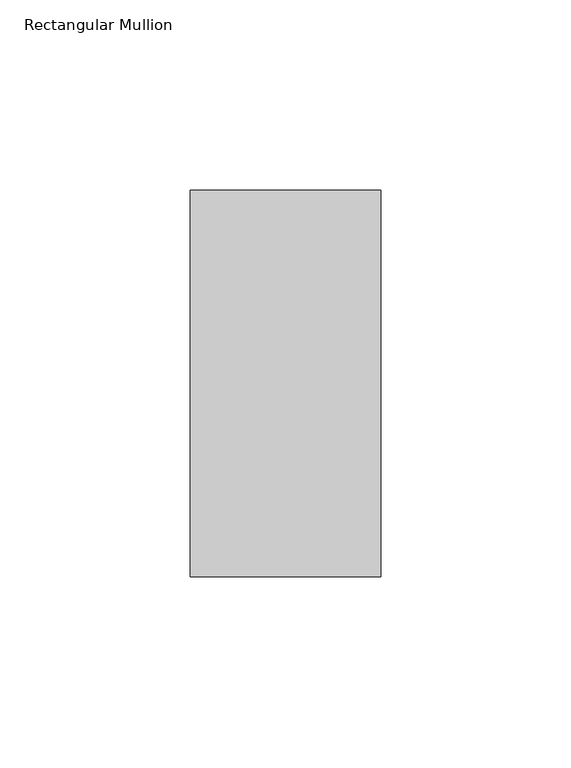
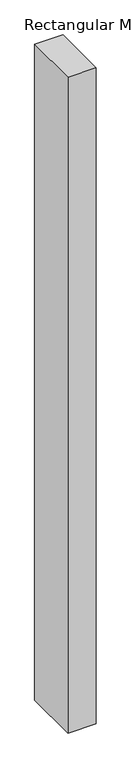
"""IFC4 building model written with IfcOpenShell, lengths in millimetres: member geometry, Rectangular Mullion."""

from ifc_helpers import new_model, si_unit, frame, origin, place, context, project, spatial, polyline, outline, extrude, source, transform, mapped, element, save


def rectangular_mullion_93ad0426(model_context):
    return source(origin(), model_context, "Body", "SweptSolid", [
        extrude(outline(polyline([(25.0, 50.8), (25.0, -50.8), (-25.0, -50.8), (-25.0, 50.8), (25.0, 50.8)])), frame((0.0, 0.0, -1225.0), z_axis=(0.0, 0.0, 1.0), x_axis=(1.0, 0.0, 0.0)), (0.0, 0.0, 1.0), 1225.0),
    ])


if __name__ == "__main__":
    model = new_model("IFC4")
    model_context = context("Model", 3, world=origin())
    ifc_project = project(units=[si_unit("LENGTHUNIT", "METRE", prefix="MILLI")], contexts=[model_context])
    site = spatial("IfcSite", under=ifc_project)
    building = spatial("IfcBuilding", under=site)
    placement = place(None, origin())
    rectangular_mullion_shape = rectangular_mullion_93ad0426(model_context)
    element("IfcMember", 1, ObjectType="Rectangular Mullion", at=placement, inside=building, context=model_context, shape_type="MappedRepresentation", body=[
        mapped(rectangular_mullion_shape, transform((0.0, 0.0, 0.0), x_axis=(1.0, 0.0, 0.0), y_axis=(0.0, 1.0, 0.0), z_axis=(0.0, 0.0, 1.0))),
    ])
    save(model, "model.ifc")
